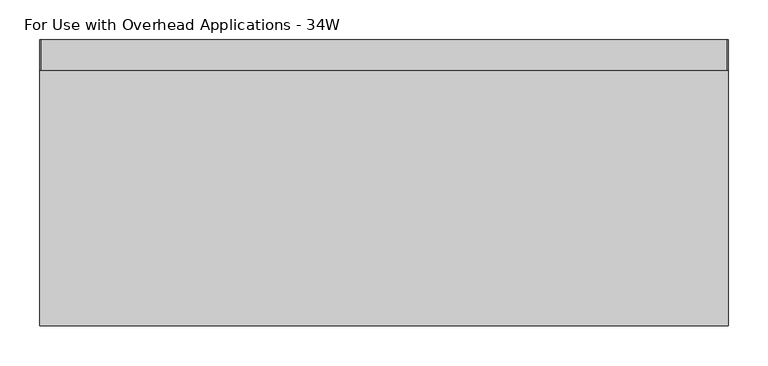
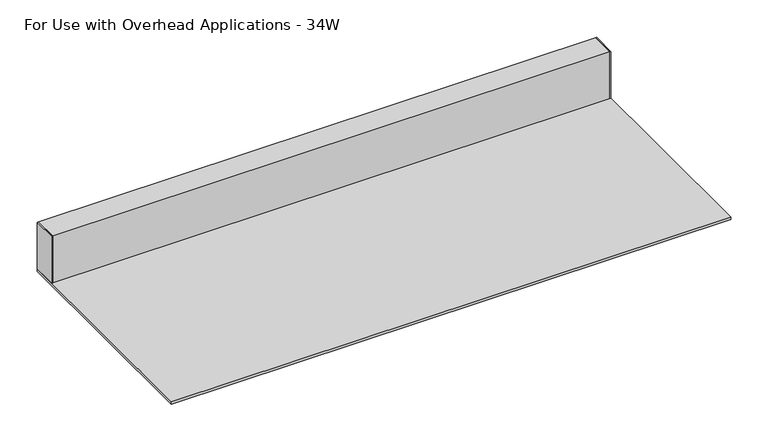
"""IFC4 building model written with IfcOpenShell, lengths in millimetres: furniture geometry, For Use with Overhead Applications - 34W."""

from ifc_helpers import new_model, si_unit, frame, origin, place, context, project, spatial, polyline, outline, extrude, source, transform, mapped, element, save


def for_use_with_overhead_applications_34w_68e4e309(model_context):
    return source(origin(), model_context, "Body", "SweptSolid", [
        extrude(outline(polyline([(862.2016357, 19.0499394), (862.2016357, 57.15), (863.6, 57.15), (863.6, 19.0499394), (862.2016357, 19.0499394)])), frame((0.0, 0.0, 1207.6554527), z_axis=(0.0, 0.0, 1.0), x_axis=(1.0, 0.0, 0.0)), (0.0, 0.0, 1.0), 76.2252892),
        extrude(outline(polyline([(1.3983643, 57.15), (1.3983643, 19.0499394), (0.0, 19.0499394), (0.0, 57.15), (1.3983643, 57.15)])), frame((0.0, 0.0, 1207.6554527), z_axis=(0.0, 0.0, 1.0), x_axis=(1.0, 0.0, 0.0)), (0.0, 0.0, 1.0), 76.2252892),
        extrude(outline(polyline([(862.2016357, 57.15), (862.2016357, 19.0499394), (1.3983643, 19.0499394), (1.3983643, 57.15), (862.2016357, 57.15)])), frame((0.0, 0.0, 1207.6554527), z_axis=(0.0, 0.0, 1.0), x_axis=(1.0, 0.0, 0.0)), (0.0, 0.0, 1.0), 76.2252892),
        extrude(outline(polyline([(863.6, 57.15), (863.6, -301.498), (0.0, -301.498), (0.0, 57.15), (863.6, 57.15)])), frame((0.0, 0.0, 1203.706), z_axis=(0.0, 0.0, 1.0), x_axis=(1.0, 0.0, 0.0)), (0.0, 0.0, 1.0), 3.9494527),
    ])


if __name__ == "__main__":
    model = new_model("IFC4")
    model_context = context("Model", 3, world=origin())
    ifc_project = project(units=[si_unit("LENGTHUNIT", "METRE", prefix="MILLI")], contexts=[model_context])
    site = spatial("IfcSite", under=ifc_project)
    building = spatial("IfcBuilding", under=site)
    placement = place(None, origin())
    for_use_with_overhead_applications_34w_shape = for_use_with_overhead_applications_34w_68e4e309(model_context)
    element("IfcFurniture", 1, ObjectType="For Use with Overhead Applications - 34W", at=placement, inside=building, context=model_context, shape_type="MappedRepresentation", body=[
        mapped(for_use_with_overhead_applications_34w_shape, transform((0.0, 0.0, 0.0), x_axis=(1.0, 0.0, 0.0), y_axis=(0.0, 1.0, 0.0), z_axis=(0.0, 0.0, 1.0))),
    ])
    save(model, "model.ifc")
